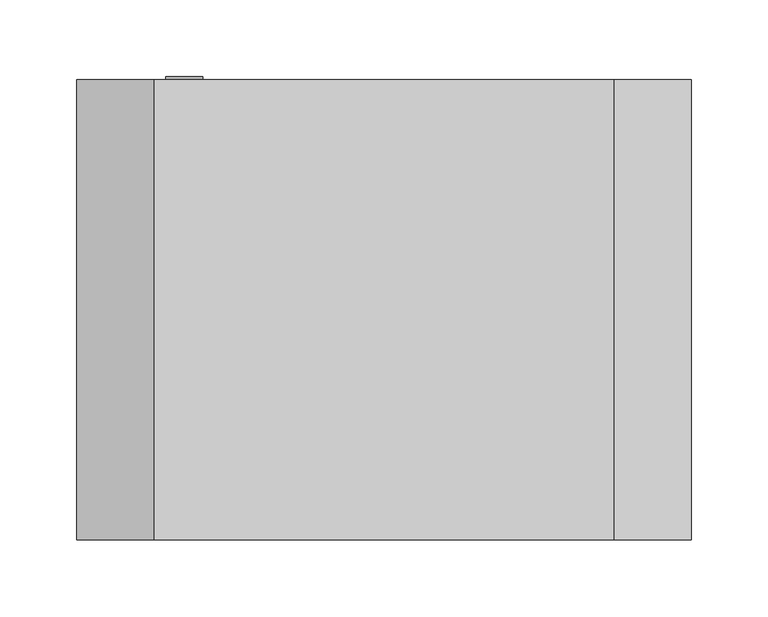
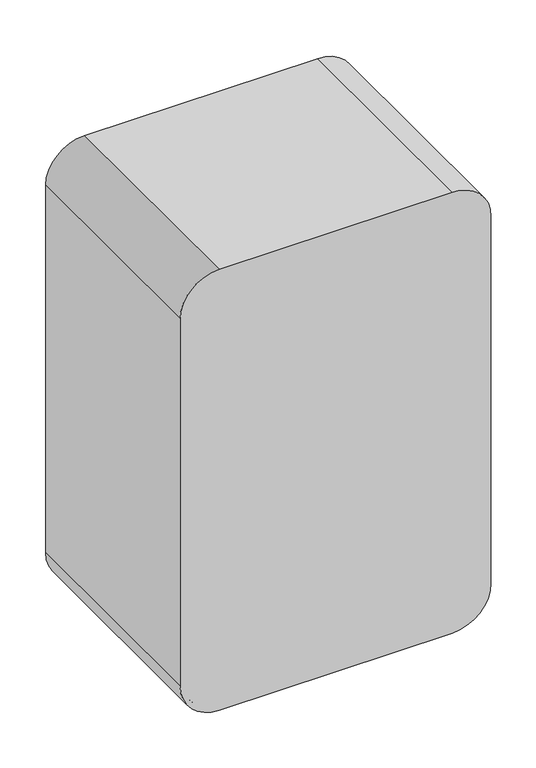
"""IFC4 building model written with IfcOpenShell, lengths in millimetres: furniture geometry."""

from ifc_helpers import new_model, si_unit, point, frame, frame_2d, origin, place, context, project, spatial, polyline, circle_curve, trimmed, segment, composite_curve, outline, extrude, source, transform, mapped, element, save
from ifc_brep_helpers import plane_surface, cylinder_surface, revolved_surface, advanced_brep


def furniture_ee1c2d33(model_context):
    return source(origin(), model_context, "Body", "SolidModel", [
        extrude(outline(composite_curve([segment(trimmed(circle_curve(frame_2d((674.9999936, -5.0)), 12.0220351), [point((674.9999936, 7.0220351))], [point((674.9999936, -17.0220351))], False, "CARTESIAN"), True, "CONTINUOUS"), segment(trimmed(circle_curve(frame_2d((674.9999936, -5.0)), 12.0220351), [point((674.9999936, -17.0220351))], [point((674.9999936, 7.0220351))], False, "CARTESIAN"), True, "CONTINUOUS")], self_intersect=False)), frame((0.0, 462.0, 0.0), z_axis=(0.0, 1.0, 0.0), x_axis=(0.0, 0.0, 1.0)), (0.0, 0.0, 1.0), 14.7651868),
        advanced_brep(
        [(275.0, 475.0, 1050.0), (325.0, 475.0, 1000.0), (325.0, 475.0, 500.0), (275.0, 475.0, 450.0), (-25.0, 475.0, 450.0), (-75.0, 475.0, 500.0), (-75.0, 475.0, 1000.0), (-25.0, 475.0, 1050.0), (-25.0, 475.0, 1044.0), (-69.0, 475.0, 1000.0), (-69.0, 475.0, 500.0), (-25.0, 475.0, 456.0), (275.0, 475.0, 456.0), (319.0, 475.0, 500.0), (319.0, 475.0, 1000.0), (275.0, 475.0, 1044.0), (-25.0, 178.0, 1044.0), (-69.0, 178.0, 1000.0), (-69.0, 178.0, 500.0), (-25.0, 178.0, 456.0), (275.0, 178.0, 456.0), (319.0, 178.0, 500.0), (319.0, 178.0, 1000.0), (275.0, 178.0, 1044.0), (275.0, 175.0, 1050.0), (325.0, 175.0, 1000.0), (325.0, 175.0, 500.0), (275.0, 175.0, 450.0), (-25.0, 175.0, 450.0), (-75.0, 175.0, 500.0), (-75.0, 175.0, 1000.0), (-25.0, 175.0, 1050.0)],
        [
            (0, 1, circle_curve(frame((275.0, 475.0, 1000.0), z_axis=(0.0, 1.0, 0.0), x_axis=(1.0, 0.0, 0.0)), 50.0)),
            (1, 2),
            (2, 3, circle_curve(frame((275.0, 475.0, 500.0), z_axis=(0.0, 1.0, 0.0), x_axis=(0.0, 0.0, -1.0)), 50.0)),
            (3, 4),
            (4, 5, circle_curve(frame((-25.0, 475.0, 500.0), z_axis=(0.0, 1.0, 0.0), x_axis=(-1.0, 0.0, 0.0)), 50.0)),
            (5, 6),
            (6, 7, circle_curve(frame((-25.0, 475.0, 1000.0), z_axis=(0.0, 1.0, 0.0), x_axis=(0.0, 0.0, 1.0)), 50.0)),
            (7, 0),
            (8, 9, circle_curve(frame((-25.0, 475.0, 1000.0), z_axis=(0.0, -1.0, 0.0), x_axis=(-1.0, 0.0, 0.0)), 44.0)),
            (9, 10),
            (10, 11, circle_curve(frame((-25.0, 475.0, 500.0), z_axis=(0.0, -1.0, 0.0), x_axis=(0.0, 0.0, -1.0)), 44.0)),
            (11, 12),
            (12, 13, circle_curve(frame((275.0, 475.0, 500.0), z_axis=(0.0, -1.0, 0.0), x_axis=(1.0, 0.0, 0.0)), 44.0)),
            (13, 14),
            (14, 15, circle_curve(frame((275.0, 475.0, 1000.0), z_axis=(0.0, -1.0, 0.0), x_axis=(0.0, 0.0, 1.0)), 44.0)),
            (15, 8),
            (8, 16),
            (16, 17, circle_curve(frame((-25.0, 178.0, 1000.0), z_axis=(0.0, -1.0, 0.0), x_axis=(-1.0, 0.0, 0.0)), 44.0)),
            (17, 9),
            (17, 18),
            (18, 10),
            (18, 19, circle_curve(frame((-25.0, 178.0, 500.0), z_axis=(0.0, -1.0, 0.0), x_axis=(0.0, 0.0, -1.0)), 44.0)),
            (19, 11),
            (19, 20),
            (20, 12),
            (20, 21, circle_curve(frame((275.0, 178.0, 500.0), z_axis=(0.0, -1.0, 0.0), x_axis=(1.0, 0.0, 0.0)), 44.0)),
            (21, 13),
            (21, 22),
            (22, 14),
            (22, 23, circle_curve(frame((275.0, 178.0, 1000.0), z_axis=(0.0, -1.0, 0.0), x_axis=(0.0, 0.0, 1.0)), 44.0)),
            (23, 15),
            (23, 16),
            (0, 24),
            (24, 25, circle_curve(frame((275.0, 175.0, 1000.0), z_axis=(0.0, 1.0, 0.0), x_axis=(1.0, 0.0, 0.0)), 50.0)),
            (25, 1),
            (25, 26),
            (26, 2),
            (26, 27, circle_curve(frame((275.0, 175.0, 500.0), z_axis=(0.0, 1.0, 0.0), x_axis=(0.0, 0.0, -1.0)), 50.0)),
            (27, 3),
            (27, 28),
            (28, 4),
            (28, 29, circle_curve(frame((-25.0, 175.0, 500.0), z_axis=(0.0, 1.0, 0.0), x_axis=(-1.0, 0.0, 0.0)), 50.0)),
            (29, 5),
            (29, 30),
            (30, 6),
            (30, 31, circle_curve(frame((-25.0, 175.0, 1000.0), z_axis=(0.0, 1.0, 0.0), x_axis=(0.0, 0.0, 1.0)), 50.0)),
            (31, 7),
            (31, 24),
        ],
        [
            plane_surface(frame((-69.0, 475.0, 1000.0), z_axis=(0.0, 1.0, 0.0), x_axis=(0.0, 0.0, -1.0))),
            revolved_surface(polyline([(-69.0, 178.0, 1000.0), (-69.0, 475.0, 1000.0)]), (-25.0, 175.0, 1000.0), (0.0, -1.0, 0.0)),
            plane_surface(frame((-69.0, 475.0, 1000.0), z_axis=(1.0, 0.0, 0.0), x_axis=(0.0, -1.0, 0.0))),
            revolved_surface(polyline([(-25.0, 178.0, 456.0), (-25.0, 475.0, 456.0)]), (-25.0, 175.0, 500.0), (0.0, -1.0, 0.0)),
            plane_surface(frame((-25.0, 475.0, 456.0), z_axis=(0.0, 0.0, 1.0), x_axis=(0.0, -1.0, 0.0))),
            revolved_surface(polyline([(319.0, 178.0, 500.0), (319.0, 475.0, 500.0)]), (275.0, 175.0, 500.0), (0.0, -1.0, 0.0)),
            plane_surface(frame((319.0, 475.0, 500.0), z_axis=(-1.0, 0.0, 0.0), x_axis=(0.0, -1.0, 0.0))),
            revolved_surface(polyline([(275.0, 178.0, 1044.0), (275.0, 475.0, 1044.0)]), (275.0, 175.0, 1000.0), (0.0, -1.0, 0.0)),
            plane_surface(frame((275.0, 475.0, 1044.0), z_axis=(0.0, 0.0, -1.0), x_axis=(0.0, -1.0, 0.0))),
            cylinder_surface(frame((275.0, 325.0, 1000.0), z_axis=(0.0, 1.0, 0.0), x_axis=(1.0, 0.0, 0.0)), 50.0),
            plane_surface(frame((325.0, 475.0, 1000.0), z_axis=(1.0, 0.0, 0.0), x_axis=(0.0, -1.0, 0.0))),
            cylinder_surface(frame((275.0, 325.0, 500.0), z_axis=(0.0, 1.0, 0.0), x_axis=(0.0, 0.0, -1.0)), 50.0),
            plane_surface(frame((275.0, 475.0, 450.0), z_axis=(0.0, 0.0, -1.0), x_axis=(0.0, -1.0, 0.0))),
            cylinder_surface(frame((-25.0, 325.0, 500.0), z_axis=(0.0, 1.0, 0.0), x_axis=(-1.0, 0.0, 0.0)), 50.0),
            plane_surface(frame((-75.0, 475.0, 500.0), z_axis=(-1.0, 0.0, 0.0), x_axis=(0.0, -1.0, 0.0))),
            cylinder_surface(frame((-25.0, 325.0, 1000.0), z_axis=(0.0, 1.0, 0.0), x_axis=(0.0, 0.0, 1.0)), 50.0),
            plane_surface(frame((-25.0, 475.0, 1050.0), z_axis=(0.0, 0.0, 1.0), x_axis=(0.0, -1.0, 0.0))),
            plane_surface(frame((275.0, 178.0, 1044.0), z_axis=(0.0, 1.0, 0.0), x_axis=(1.0, 0.0, 0.0))),
            plane_surface(frame((275.0, 175.0, 1044.0), z_axis=(0.0, -1.0, 0.0), x_axis=(-1.0, 0.0, 0.0))),
        ],
        [
            (0, [[1, 2, 3, 4, 5, 6, 7, 8], [9, 10, 11, 12, 13, 14, 15, 16]]),
            (1, [[-9, 17, 18, 19]]),
            (2, [[-10, -19, 20, 21]]),
            (3, [[-11, -21, 22, 23]]),
            (4, [[-12, -23, 24, 25]]),
            (5, [[-13, -25, 26, 27]]),
            (6, [[-14, -27, 28, 29]]),
            (7, [[-15, -29, 30, 31]]),
            (8, [[-16, -31, 32, -17]]),
            (9, [[-1, 33, 34, 35]]),
            (10, [[-2, -35, 36, 37]]),
            (11, [[-3, -37, 38, 39]]),
            (12, [[-4, -39, 40, 41]]),
            (13, [[-5, -41, 42, 43]]),
            (14, [[-6, -43, 44, 45]]),
            (15, [[-7, -45, 46, 47]]),
            (16, [[-8, -47, 48, -33]]),
            (17, [[-18, -32, -30, -28, -26, -24, -22, -20]]),
            (18, [[-48, -46, -44, -42, -40, -38, -36, -34]]),
        ],
    ),
    ])


if __name__ == "__main__":
    model = new_model("IFC4")
    model_context = context("Model", 3, world=origin())
    ifc_project = project(units=[si_unit("LENGTHUNIT", "METRE", prefix="MILLI")], contexts=[model_context])
    site = spatial("IfcSite", under=ifc_project)
    building = spatial("IfcBuilding", under=site)
    placement = place(None, origin())
    furniture_shape = furniture_ee1c2d33(model_context)
    element("IfcFurniture", 1, at=placement, inside=building, context=model_context, shape_type="MappedRepresentation", body=[
        mapped(furniture_shape, transform((0.0, 0.0, 0.0), x_axis=(1.0, 0.0, 0.0), y_axis=(0.0, 1.0, 0.0), z_axis=(0.0, 0.0, 1.0))),
    ])
    save(model, "model.ifc")
